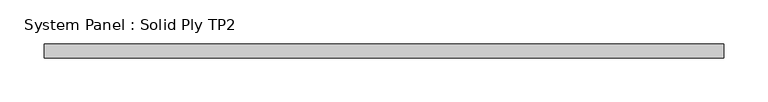
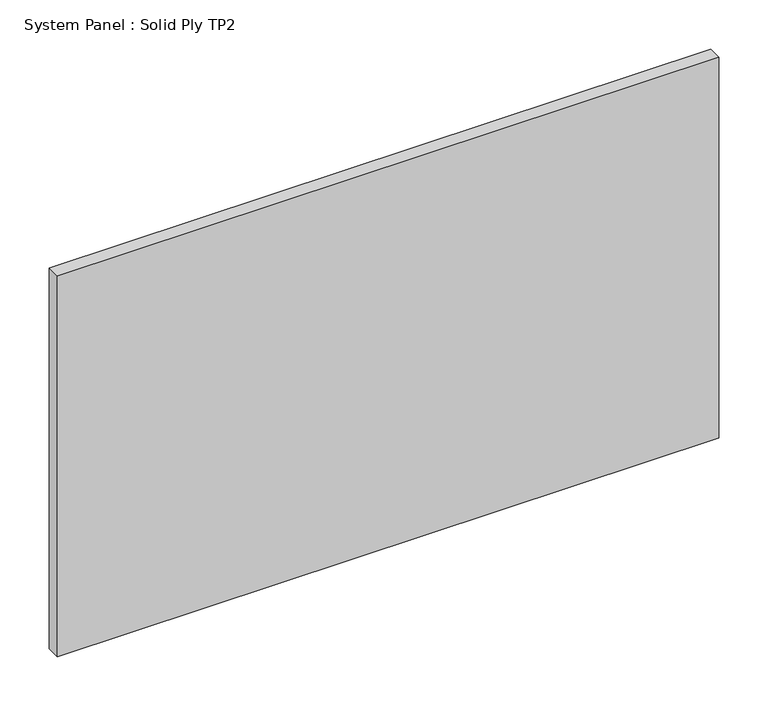
"""IFC4 building model written with IfcOpenShell, lengths in millimetres: plate geometry, System Panel : Solid Ply TP2."""

from ifc_helpers import new_model, si_unit, origin, origin_with_axes, place, context, project, spatial, polyline, outline, extrude, source, transform, mapped, element, save


def system_panel_solid_ply_tp2_3545f5f8(model_context):
    return source(origin(), model_context, "Body", "SweptSolid", [
        extrude(outline(polyline([(385.9999998, -23.0), (-385.9999998, -23.0), (-385.9999998, -7.0), (385.9999998, -7.0), (385.9999998, -23.0)])), origin_with_axes(), (0.0, 0.0, 1.0), 470.0),
    ])


if __name__ == "__main__":
    model = new_model("IFC4")
    model_context = context("Model", 3, world=origin())
    ifc_project = project(units=[si_unit("LENGTHUNIT", "METRE", prefix="MILLI")], contexts=[model_context])
    site = spatial("IfcSite", under=ifc_project)
    building = spatial("IfcBuilding", under=site)
    placement = place(None, origin())
    system_panel_solid_ply_tp2_shape = system_panel_solid_ply_tp2_3545f5f8(model_context)
    element("IfcPlate", 1, ObjectType="System Panel : Solid Ply TP2", at=placement, inside=building, context=model_context, shape_type="MappedRepresentation", body=[
        mapped(system_panel_solid_ply_tp2_shape, transform((0.0, 0.0, 0.0), x_axis=(1.0, 0.0, 0.0), y_axis=(0.0, 1.0, 0.0), z_axis=(0.0, 0.0, 1.0))),
    ])
    save(model, "model.ifc")
